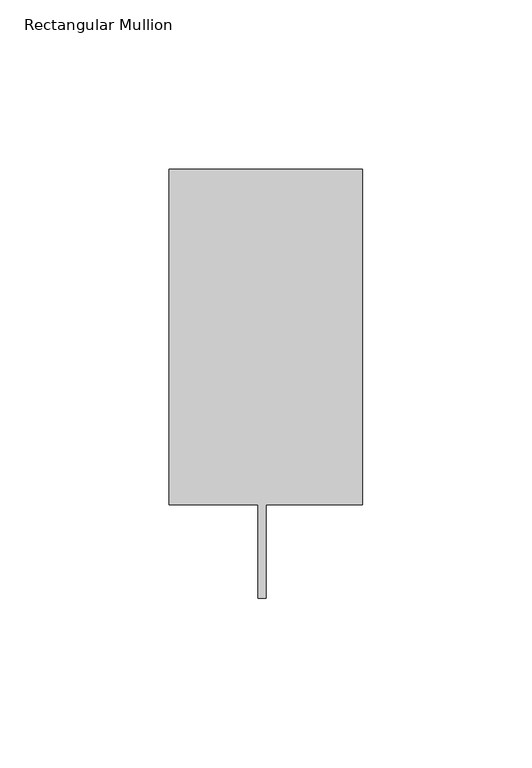
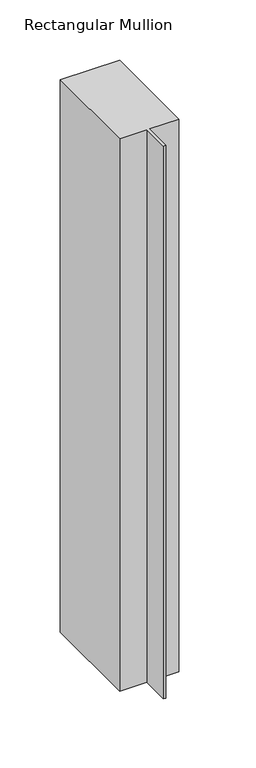
"""IFC4 building model written with IfcOpenShell, lengths in millimetres: member geometry, Rectangular Mullion."""

from ifc_helpers import new_model, si_unit, frame, origin, place, context, project, spatial, polyline, outline, extrude, source, transform, mapped, element, save


def rectangular_mullion_24f03bb8(model_context):
    return source(origin(), model_context, "Body", "SweptSolid", [
        extrude(outline(polyline([(0.0, 138.3252808), (0.0, 39.3898437), (-28.575, 39.3898437), (-28.575, 11.7038437), (-30.9626, 11.7038437), (-30.9626, 39.3898437), (-57.15, 39.3898438), (-57.15, 138.3252808), (0.0, 138.3252808)])), frame((0.0, 0.0, -561.487016), z_axis=(0.0, 0.0, 1.0), x_axis=(1.0, 0.0, 0.0)), (0.0, 0.0, 1.0), 561.487016),
    ])


if __name__ == "__main__":
    model = new_model("IFC4")
    model_context = context("Model", 3, world=origin())
    ifc_project = project(units=[si_unit("LENGTHUNIT", "METRE", prefix="MILLI")], contexts=[model_context])
    site = spatial("IfcSite", under=ifc_project)
    building = spatial("IfcBuilding", under=site)
    placement = place(None, origin())
    rectangular_mullion_shape = rectangular_mullion_24f03bb8(model_context)
    element("IfcMember", 1, ObjectType="Rectangular Mullion", at=placement, inside=building, context=model_context, shape_type="MappedRepresentation", body=[
        mapped(rectangular_mullion_shape, transform((0.0, 0.0, 0.0), x_axis=(1.0, 0.0, 0.0), y_axis=(0.0, 1.0, 0.0), z_axis=(0.0, 0.0, 1.0))),
    ])
    save(model, "model.ifc")
